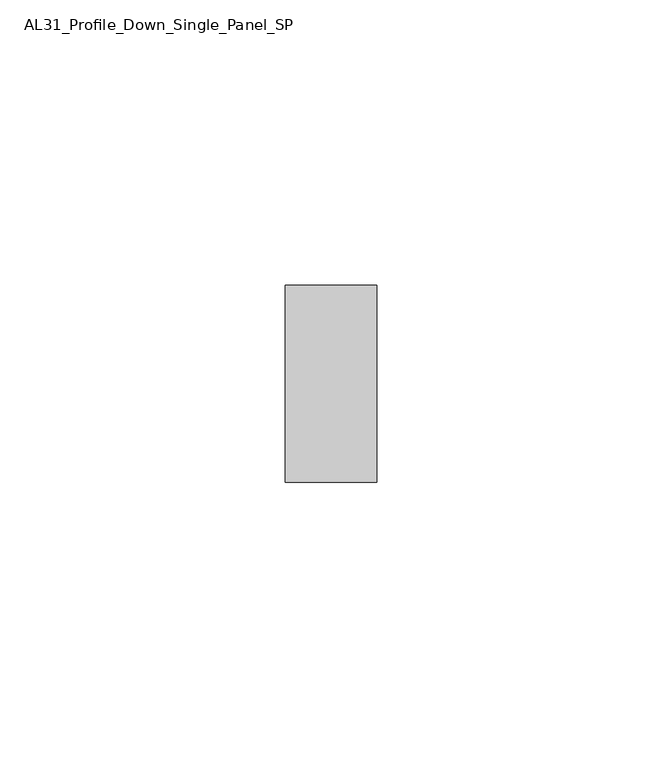
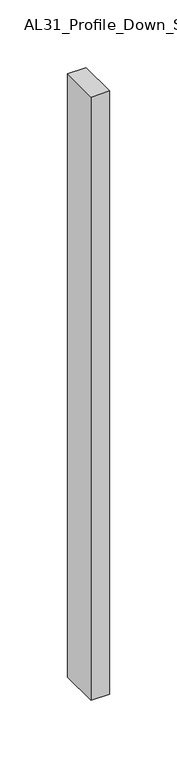
"""IFC4 building model written with IfcOpenShell, lengths in millimetres: member geometry, AL31_Profile_Down_Single_Panel_SP."""

import ifcopenshell
import ifcopenshell.guid

model = None  # the IFC model being written
_history = None  # IfcOwnerHistory: only IFC2X3 demands one
_inside = {}  # id of a spatial element -> (the spatial element, [elements in it])
_under = {}  # id of a project, library or spatial element -> (it, [spatial elements below it])
_declared = {}  # id of a project -> (the project, [libraries it declares])
_typed = {}  # id of a type object -> (the type object, [elements of that type])
_made_of = {}  # id of a material, layer set ... -> (it, [elements and type objects made of it])


def new_model(schema):
    """Start an empty IFC model of exactly this schema.

    Asked for "IFC4X3", IfcOpenShell would pick the latest addendum, in which some entities
    have other attributes; the version numbers below select the first issue.
    IFC2X3 requires an IfcOwnerHistory on every rooted entity: one is made here for all.
    """
    global model, _history
    if schema == "IFC4X3":
        model = ifcopenshell.file(schema_version=(4, 3, 0, 0))
    else:
        model = ifcopenshell.file(schema=schema)
    _inside.clear()
    _under.clear()
    _declared.clear()
    _typed.clear()
    _made_of.clear()
    _history = None
    if model.schema == "IFC2X3":
        org = make("IfcOrganization", Name="unknown")
        user = make(
            "IfcPersonAndOrganization",
            ThePerson=make("IfcPerson", FamilyName="unknown"),
            TheOrganization=org,
        )
        app = make(
            "IfcApplication",
            ApplicationDeveloper=org,
            Version="unknown",
            ApplicationFullName="unknown",
            ApplicationIdentifier="unknown",
        )
        _history = make(
            "IfcOwnerHistory",
            OwningUser=user,
            OwningApplication=app,
            ChangeAction="ADDED",
            CreationDate=0,
        )
    return model


def make(cls, **values):
    """One entity of the class cls with the attributes given. An attribute that is None is left unset."""
    return model.create_entity(
        cls, **{name: value for name, value in values.items() if value is not None}
    )


def rooted(cls, **values):
    """An entity with a GlobalId (a new one), such as an element, a storey or a relation."""
    return make(cls, GlobalId=ifcopenshell.guid.new(), OwnerHistory=_history, **values)


def si_unit(unit_type, name, prefix=None):
    """IfcSIUnit, for example si_unit("LENGTHUNIT", "METRE", prefix="MILLI")."""
    return make("IfcSIUnit", UnitType=unit_type, Prefix=prefix, Name=name)


def assignment(units):
    """IfcUnitAssignment: the units of a project."""
    return None if units is None else make("IfcUnitAssignment", Units=units)


def point(xyz):
    """IfcCartesianPoint."""
    return None if xyz is None else make("IfcCartesianPoint", Coordinates=xyz)


def direction(xyz):
    """IfcDirection."""
    return None if xyz is None else make("IfcDirection", DirectionRatios=xyz)


def frame(location, z_axis=None, x_axis=None):
    """IfcAxis2Placement3D, a coordinate frame: its origin and axes. An axis left out is left unset."""
    return make(
        "IfcAxis2Placement3D",
        Location=point(location),
        Axis=direction(z_axis),
        RefDirection=direction(x_axis),
    )


def origin():
    """The frame at (0, 0, 0) with its axes left unset."""
    return frame((0.0, 0.0, 0.0))


def place(relative_to, where):
    """IfcLocalPlacement: puts the frame where relative to a parent placement (None: the world)."""
    return make(
        "IfcLocalPlacement", PlacementRelTo=relative_to, RelativePlacement=where
    )


def context(
    kind, dimensions, precision=None, world=None, true_north=None, identifier=None
):
    """IfcGeometricRepresentationContext, for example the 3D "Model" context."""
    return make(
        "IfcGeometricRepresentationContext",
        ContextIdentifier=identifier,
        ContextType=kind,
        CoordinateSpaceDimension=dimensions,
        Precision=precision,
        WorldCoordinateSystem=world,
        TrueNorth=true_north,
    )


def project(units=None, contexts=None):
    """IfcProject with its units and contexts."""
    return rooted(
        "IfcProject",
        Name="project",
        RepresentationContexts=contexts,
        UnitsInContext=assignment(units),
    )


def spatial(cls, under=None, at=None, **own):
    """A site, building, storey or space (cls), placed at a placement, below another one or the project."""
    s = rooted(cls, ObjectPlacement=at, **own)
    if under is not None:
        _under.setdefault(under.id(), (under, []))[1].append(s)
    return s


def polyline(points):
    """IfcPolyline through the points."""
    return make("IfcPolyline", Points=[point(p) for p in points])


def outline(outer, holes=None, kind="AREA"):
    """IfcArbitraryClosedProfileDef: a profile drawn as a closed curve; with holes, ...WithVoids."""
    if holes is None:
        return make("IfcArbitraryClosedProfileDef", ProfileType=kind, OuterCurve=outer)
    return make(
        "IfcArbitraryProfileDefWithVoids",
        ProfileType=kind,
        OuterCurve=outer,
        InnerCurves=holes,
    )


def extrude(swept, where, along, depth):
    """IfcExtrudedAreaSolid: the profile swept, set in the frame where, extruded along a direction by depth."""
    return make(
        "IfcExtrudedAreaSolid",
        SweptArea=swept,
        Position=where,
        ExtrudedDirection=direction(along),
        Depth=depth,
    )


def shape(context_of_items, identifier, shape_type, items):
    """IfcShapeRepresentation: the items that make up one representation, for example the "Body"."""
    return make(
        "IfcShapeRepresentation",
        ContextOfItems=context_of_items,
        RepresentationIdentifier=identifier,
        RepresentationType=shape_type,
        Items=items,
    )


def source(mapping_origin, context_of_items, identifier, shape_type, items):
    """IfcRepresentationMap: a shape defined once, which mapped items show again and again."""
    return make(
        "IfcRepresentationMap",
        MappingOrigin=mapping_origin,
        MappedRepresentation=shape(context_of_items, identifier, shape_type, items),
    )


def transform(
    local_origin,
    x_axis=None,
    y_axis=None,
    z_axis=None,
    scale=None,
    scale2=None,
    scale3=None,
    uniform=True,
):
    """IfcCartesianTransformationOperator3D, or its non-uniform kind. x_axis, y_axis, z_axis: its Axis1, 2, 3."""
    if uniform:
        return make(
            "IfcCartesianTransformationOperator3D",
            Axis1=direction(x_axis),
            Axis2=direction(y_axis),
            LocalOrigin=point(local_origin),
            Scale=scale,
            Axis3=direction(z_axis),
        )
    return make(
        "IfcCartesianTransformationOperator3DnonUniform",
        Axis1=direction(x_axis),
        Axis2=direction(y_axis),
        LocalOrigin=point(local_origin),
        Scale=scale,
        Axis3=direction(z_axis),
        Scale2=scale2,
        Scale3=scale3,
    )


def mapped(mapping_source, mapping_target):
    """IfcMappedItem: shows the shape of a source again, moved by a transform."""
    return make(
        "IfcMappedItem", MappingSource=mapping_source, MappingTarget=mapping_target
    )


def made_of(thing, what):
    """Note that an element or type object is made of a material, layer set ...; save() writes the relation."""
    if what is not None:
        _made_of.setdefault(what.id(), (what, []))[1].append(thing)
    return thing


def element(
    cls,
    number,
    at=None,
    inside=None,
    cuts=None,
    type_object=None,
    material=None,
    context=None,
    identifier="Body",
    shape_type=None,
    held_by="IfcProductDefinitionShape",
    body=None,
    shapes=None,
    **own,
):
    """One element of the class cls, such as IfcWall. Its Tag is "e" and its number.

    at: its placement. inside: the storey or other place that contains it. cuts: it is an
    opening in that element (IfcRelVoidsElement). A single representation is given by context,
    identifier, shape_type and body (its items); several are given by shapes. held_by: the class
    of the entity that holds the representations. save() writes the other relations.
    """
    e = rooted(cls, Tag="e%d" % number, ObjectPlacement=at, **own)
    if body is not None:
        shapes = [shape(context, identifier, shape_type, body)]
    if shapes is not None:
        e.Representation = make(held_by, Representations=shapes)
    if inside is not None:
        _inside.setdefault(inside.id(), (inside, []))[1].append(e)
    if cuts is not None:
        rooted(
            "IfcRelVoidsElement", RelatingBuildingElement=cuts, RelatedOpeningElement=e
        )
    if type_object is not None:
        _typed.setdefault(type_object.id(), (type_object, []))[1].append(e)
    return made_of(e, material)


def aggregate(whole, parts):
    """IfcRelAggregates: a whole, such as a stair, and the parts it consists of."""
    return rooted("IfcRelAggregates", RelatingObject=whole, RelatedObjects=parts)


def save(model, path):
    """Write the relations noted so far, then the file.

    IfcRelAggregates (storeys below a building ...), IfcRelContainedInSpatialStructure (elements
    in a storey), IfcRelDefinesByType, IfcRelAssociatesMaterial and IfcRelDeclares: one each for
    every whole, place, type object, material and project.
    """
    for whole, parts in _under.values():
        aggregate(whole, parts)
    for where, things in _inside.values():
        rooted(
            "IfcRelContainedInSpatialStructure",
            RelatedElements=things,
            RelatingStructure=where,
        )
    for kind, things in _typed.values():
        rooted("IfcRelDefinesByType", RelatedObjects=things, RelatingType=kind)
    for what, things in _made_of.values():
        rooted("IfcRelAssociatesMaterial", RelatedObjects=things, RelatingMaterial=what)
    for by, libraries in _declared.values():
        rooted("IfcRelDeclares", RelatingContext=by, RelatedDefinitions=libraries)
    model.write(path)


def al31_profile_down_single_panel_sp_ed0be1b5(model_context):
    return source(origin(), model_context, "Body", "SweptSolid", [
        extrude(outline(polyline([(0.0, -17.25), (-16.0, -17.25), (-16.0, 17.25), (0.0, 17.25), (0.0, -17.25)])), frame((0.0, 0.0, -544.0208477), z_axis=(0.0, 0.0, 1.0), x_axis=(1.0, 0.0, 0.0)), (0.0, 0.0, 1.0), 544.0208477),
    ])


if __name__ == "__main__":
    model = new_model("IFC4")
    model_context = context("Model", 3, world=origin())
    ifc_project = project(units=[si_unit("LENGTHUNIT", "METRE", prefix="MILLI")], contexts=[model_context])
    site = spatial("IfcSite", under=ifc_project)
    building = spatial("IfcBuilding", under=site)
    placement = place(None, origin())
    al31_profile_down_single_panel_sp_shape = al31_profile_down_single_panel_sp_ed0be1b5(model_context)
    element("IfcMember", 1, ObjectType="AL31_Profile_Down_Single_Panel_SP", at=placement, inside=building, context=model_context, shape_type="MappedRepresentation", body=[
        mapped(al31_profile_down_single_panel_sp_shape, transform((0.0, 0.0, 0.0), x_axis=(1.0, 0.0, 0.0), y_axis=(0.0, 1.0, 0.0), z_axis=(0.0, 0.0, 1.0))),
    ])
    save(model, "model.ifc")
